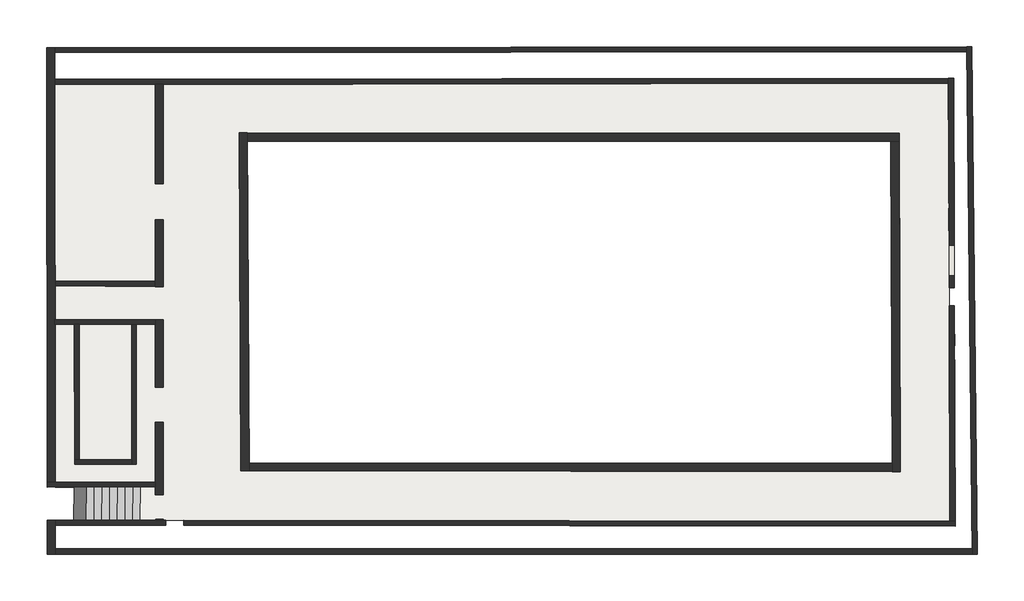
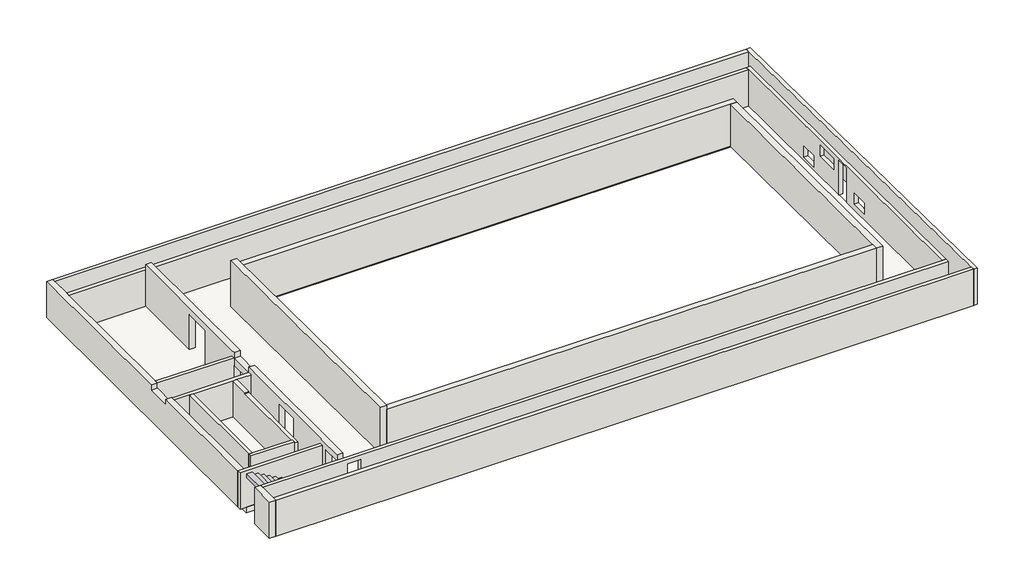
# One storey: 19 walls, 1 slab, 1 stair flight.
"""IFC4 building model written with IfcOpenShell, lengths in millimetres."""

import ifcopenshell
import ifcopenshell.guid

model = None  # the IFC model being written
_history = None  # IfcOwnerHistory: only IFC2X3 demands one
_inside = {}  # id of a spatial element -> (the spatial element, [elements in it])
_under = {}  # id of a project, library or spatial element -> (it, [spatial elements below it])
_declared = {}  # id of a project -> (the project, [libraries it declares])
_typed = {}  # id of a type object -> (the type object, [elements of that type])
_made_of = {}  # id of a material, layer set ... -> (it, [elements and type objects made of it])


def new_model(schema):
    """Start an empty IFC model of exactly this schema.

    Asked for "IFC4X3", IfcOpenShell would pick the latest addendum, in which some entities
    have other attributes; the version numbers below select the first issue.
    IFC2X3 requires an IfcOwnerHistory on every rooted entity: one is made here for all.
    """
    global model, _history
    if schema == "IFC4X3":
        model = ifcopenshell.file(schema_version=(4, 3, 0, 0))
    else:
        model = ifcopenshell.file(schema=schema)
    _inside.clear()
    _under.clear()
    _declared.clear()
    _typed.clear()
    _made_of.clear()
    _history = None
    if model.schema == "IFC2X3":
        org = make("IfcOrganization", Name="unknown")
        user = make(
            "IfcPersonAndOrganization",
            ThePerson=make("IfcPerson", FamilyName="unknown"),
            TheOrganization=org,
        )
        app = make(
            "IfcApplication",
            ApplicationDeveloper=org,
            Version="unknown",
            ApplicationFullName="unknown",
            ApplicationIdentifier="unknown",
        )
        _history = make(
            "IfcOwnerHistory",
            OwningUser=user,
            OwningApplication=app,
            ChangeAction="ADDED",
            CreationDate=0,
        )
    return model


def make(cls, **values):
    """One entity of the class cls with the attributes given. An attribute that is None is left unset."""
    return model.create_entity(
        cls, **{name: value for name, value in values.items() if value is not None}
    )


def rooted(cls, **values):
    """An entity with a GlobalId (a new one), such as an element, a storey or a relation."""
    return make(cls, GlobalId=ifcopenshell.guid.new(), OwnerHistory=_history, **values)


def si_unit(unit_type, name, prefix=None):
    """IfcSIUnit, for example si_unit("LENGTHUNIT", "METRE", prefix="MILLI")."""
    return make("IfcSIUnit", UnitType=unit_type, Prefix=prefix, Name=name)


def assignment(units):
    """IfcUnitAssignment: the units of a project."""
    return None if units is None else make("IfcUnitAssignment", Units=units)


def point(xyz):
    """IfcCartesianPoint."""
    return None if xyz is None else make("IfcCartesianPoint", Coordinates=xyz)


def direction(xyz):
    """IfcDirection."""
    return None if xyz is None else make("IfcDirection", DirectionRatios=xyz)


def frame(location, z_axis=None, x_axis=None):
    """IfcAxis2Placement3D, a coordinate frame: its origin and axes. An axis left out is left unset."""
    return make(
        "IfcAxis2Placement3D",
        Location=point(location),
        Axis=direction(z_axis),
        RefDirection=direction(x_axis),
    )


def origin():
    """The frame at (0, 0, 0) with its axes left unset."""
    return frame((0.0, 0.0, 0.0))


def place(relative_to, where):
    """IfcLocalPlacement: puts the frame where relative to a parent placement (None: the world)."""
    return make(
        "IfcLocalPlacement", PlacementRelTo=relative_to, RelativePlacement=where
    )


def context(
    kind, dimensions, precision=None, world=None, true_north=None, identifier=None
):
    """IfcGeometricRepresentationContext, for example the 3D "Model" context."""
    return make(
        "IfcGeometricRepresentationContext",
        ContextIdentifier=identifier,
        ContextType=kind,
        CoordinateSpaceDimension=dimensions,
        Precision=precision,
        WorldCoordinateSystem=world,
        TrueNorth=true_north,
    )


def project(units=None, contexts=None):
    """IfcProject with its units and contexts."""
    return rooted(
        "IfcProject",
        Name="project",
        RepresentationContexts=contexts,
        UnitsInContext=assignment(units),
    )


def spatial(cls, under=None, at=None, **own):
    """A site, building, storey or space (cls), placed at a placement, below another one or the project."""
    s = rooted(cls, ObjectPlacement=at, **own)
    if under is not None:
        _under.setdefault(under.id(), (under, []))[1].append(s)
    return s


def polyline(points):
    """IfcPolyline through the points."""
    return make("IfcPolyline", Points=[point(p) for p in points])


def outline(outer, holes=None, kind="AREA"):
    """IfcArbitraryClosedProfileDef: a profile drawn as a closed curve; with holes, ...WithVoids."""
    if holes is None:
        return make("IfcArbitraryClosedProfileDef", ProfileType=kind, OuterCurve=outer)
    return make(
        "IfcArbitraryProfileDefWithVoids",
        ProfileType=kind,
        OuterCurve=outer,
        InnerCurves=holes,
    )


def extrude(swept, where, along, depth):
    """IfcExtrudedAreaSolid: the profile swept, set in the frame where, extruded along a direction by depth."""
    return make(
        "IfcExtrudedAreaSolid",
        SweptArea=swept,
        Position=where,
        ExtrudedDirection=direction(along),
        Depth=depth,
    )


def faces_of(points, faces, orient=None, outer=None):
    """IfcFace entities. A face is a list of loops; a loop is a list of indices into points, from 0.

    orient and outer hold one flag for each loop. By default every Orientation is true, the
    first loop of a face is its IfcFaceOuterBound and the others are IfcFaceBound.
    """
    made = []
    for i, loops in enumerate(faces):
        bounds = []
        for j, loop in enumerate(loops):
            is_outer = j == 0 if outer is None else outer[i][j]
            bounds.append(
                make(
                    "IfcFaceOuterBound" if is_outer else "IfcFaceBound",
                    Bound=make("IfcPolyLoop", Polygon=[points[k] for k in loop]),
                    Orientation=True if orient is None else orient[i][j],
                )
            )
        made.append(make("IfcFace", Bounds=bounds))
    return made


def faceted_brep(points, faces, orient=None, outer=None, voids=None):
    """IfcFacetedBrep: a solid bounded by flat faces; with voids (closed shells), ...WithVoids."""
    shared = [point(p) for p in points]
    hull = make("IfcClosedShell", CfsFaces=faces_of(shared, faces, orient, outer))
    if voids is None:
        return make("IfcFacetedBrep", Outer=hull)
    return make(
        "IfcFacetedBrepWithVoids",
        Outer=hull,
        Voids=[
            make(cls, CfsFaces=faces_of(shared, fs, o, b)) for cls, fs, o, b in voids
        ],
    )


def shape(context_of_items, identifier, shape_type, items):
    """IfcShapeRepresentation: the items that make up one representation, for example the "Body"."""
    return make(
        "IfcShapeRepresentation",
        ContextOfItems=context_of_items,
        RepresentationIdentifier=identifier,
        RepresentationType=shape_type,
        Items=items,
    )


def made_of(thing, what):
    """Note that an element or type object is made of a material, layer set ...; save() writes the relation."""
    if what is not None:
        _made_of.setdefault(what.id(), (what, []))[1].append(thing)
    return thing


def element(
    cls,
    number,
    at=None,
    inside=None,
    cuts=None,
    type_object=None,
    material=None,
    context=None,
    identifier="Body",
    shape_type=None,
    held_by="IfcProductDefinitionShape",
    body=None,
    shapes=None,
    **own,
):
    """One element of the class cls, such as IfcWall. Its Tag is "e" and its number.

    at: its placement. inside: the storey or other place that contains it. cuts: it is an
    opening in that element (IfcRelVoidsElement). A single representation is given by context,
    identifier, shape_type and body (its items); several are given by shapes. held_by: the class
    of the entity that holds the representations. save() writes the other relations.
    """
    e = rooted(cls, Tag="e%d" % number, ObjectPlacement=at, **own)
    if body is not None:
        shapes = [shape(context, identifier, shape_type, body)]
    if shapes is not None:
        e.Representation = make(held_by, Representations=shapes)
    if inside is not None:
        _inside.setdefault(inside.id(), (inside, []))[1].append(e)
    if cuts is not None:
        rooted(
            "IfcRelVoidsElement", RelatingBuildingElement=cuts, RelatedOpeningElement=e
        )
    if type_object is not None:
        _typed.setdefault(type_object.id(), (type_object, []))[1].append(e)
    return made_of(e, material)


def aggregate(whole, parts):
    """IfcRelAggregates: a whole, such as a stair, and the parts it consists of."""
    return rooted("IfcRelAggregates", RelatingObject=whole, RelatedObjects=parts)


def save(model, path):
    """Write the relations noted so far, then the file.

    IfcRelAggregates (storeys below a building ...), IfcRelContainedInSpatialStructure (elements
    in a storey), IfcRelDefinesByType, IfcRelAssociatesMaterial and IfcRelDeclares: one each for
    every whole, place, type object, material and project.
    """
    for whole, parts in _under.values():
        aggregate(whole, parts)
    for where, things in _inside.values():
        rooted(
            "IfcRelContainedInSpatialStructure",
            RelatedElements=things,
            RelatingStructure=where,
        )
    for kind, things in _typed.values():
        rooted("IfcRelDefinesByType", RelatedObjects=things, RelatingType=kind)
    for what, things in _made_of.values():
        rooted("IfcRelAssociatesMaterial", RelatedObjects=things, RelatingMaterial=what)
    for by, libraries in _declared.values():
        rooted("IfcRelDeclares", RelatingContext=by, RelatedDefinitions=libraries)
    model.write(path)


model = new_model("IFC4")

# Units and contexts
model_context = context("Model", 3, world=origin())
ifc_project = project(units=[si_unit("LENGTHUNIT", "METRE", prefix="MILLI")], contexts=[model_context])

# Site, building, storey
site = spatial("IfcSite", under=ifc_project)
building = spatial("IfcBuilding", under=site)
storey = spatial("IfcBuildingStorey", under=building, Elevation=-12000.0)

# Slab
placement = place(None, origin())
element("IfcSlab", 1, at=placement, inside=storey, context=model_context, shape_type="Brep", body=[
    faceted_brep([(-46433.9659525, -23696.531678, -12300.0), (-46433.9659525, -23696.531678, -12000.0), (-42210.7707518, -23691.3306247, -12000.0), (-11677.9140619, -23653.7280502, -12000.0), (-11677.9140619, -23653.7280502, -12300.0), (-42210.7707518, -23691.3306247, -12300.0), (-11622.7118348, -40672.7928757, -12000.0), (-11622.7118348, -40672.7928757, -12300.0), (-43112.5023936, -40636.5992131, -12000.0), (-43112.5023936, -40636.5992131, -12300.0), (-46416.4450928, -39348.5265927, -12300.0), (-46416.4450928, -39348.5265927, -12000.0), (-13545.5953668, -38741.8857665, -12300.0), (-13545.5953668, -38741.8857665, -12000.0), (-13595.4594818, -25594.5502974, -12000.0), (-13595.4594818, -25594.5502974, -12300.0), (-39254.3977141, -25571.3727253, -12000.0), (-39254.3977141, -25571.3727253, -12300.0), (-39189.5022302, -38716.2687798, -12000.0), (-39189.5022302, -38716.2687798, -12300.0), (-43101.4900772, -39342.5562747, -12000.0), (-43101.4900772, -39342.5562747, -12300.0)], [[[0, 1, 2, 3, 4, 5]], [[4, 3, 6, 7]], [[7, 6, 8, 9]], [[10, 11, 1, 0]], [[12, 13, 14, 15]], [[15, 14, 16, 17]], [[17, 16, 18, 19]], [[19, 18, 13, 12]], [[9, 8, 20, 21]], [[21, 20, 11, 10]], [[6, 3, 2, 1, 11, 20, 8], [13, 18, 16, 14]], [[7, 9, 21, 10, 0, 5, 4], [12, 15, 17, 19]]]),
])

# Stair flight
element("IfcStairFlight", 2, ObjectType="3/4\" Nosing", at=placement, inside=storey, context=model_context, shape_type="Brep", body=[
    faceted_brep([(-43412.510322, -40636.2543906, -11836.6666667), (-43112.5023936, -40636.5992131, -11836.6666667), (-43101.4900772, -39342.5562747, -11836.6666667), (-43401.5055383, -39343.0966102, -11836.6666667), (-43412.510322, -40636.2543906, -12000.0), (-43112.5023936, -40636.5992131, -12000.0), (-43101.4900772, -39342.5562747, -12000.0), (-43401.5055383, -39343.0966102, -12000.0), (-43712.5182504, -40635.9095682, -11673.3333333), (-43412.510322, -40636.2543906, -11673.3333333), (-43401.5055383, -39343.0966102, -11673.3333333), (-43701.5209994, -39343.6369456, -11673.3333333), (-43712.5182504, -40635.9095682, -11875.777178), (-43484.3478534, -40636.1718222, -12000.0), (-43473.3448735, -39343.2259946, -12000.0), (-43701.5209994, -39343.6369456, -11875.777178), (-44012.5261788, -40635.5647458, -11510.0), (-43712.5182504, -40635.9095682, -11510.0), (-43701.5209994, -39343.6369456, -11510.0), (-44001.5364605, -39344.177281, -11510.0), (-44012.5261788, -40635.5647458, -11712.4438446), (-44001.5364605, -39344.177281, -11712.4438446), (-44312.5341072, -40635.2199234, -11346.6666667), (-44012.5261788, -40635.5647458, -11346.6666667), (-44001.5364605, -39344.177281, -11346.6666667), (-44301.5519216, -39344.7176165, -11346.6666667), (-44312.5341072, -40635.2199234, -11549.1105113), (-44301.5519216, -39344.7176165, -11549.1105113), (-44612.5420356, -40634.875101, -11183.3333333), (-44312.5341072, -40635.2199234, -11183.3333333), (-44301.5519216, -39344.7176165, -11183.3333333), (-44601.5673827, -39345.2579519, -11183.3333333), (-44612.5420356, -40634.875101, -11385.777178), (-44601.5673827, -39345.2579519, -11385.777178), (-44912.549964, -40634.5302785, -11020.0), (-44612.5420356, -40634.875101, -11020.0), (-44601.5673827, -39345.2579519, -11020.0), (-44901.5828438, -39345.7982874, -11020.0), (-44912.549964, -40634.5302785, -11222.4438446), (-44901.5828438, -39345.7982874, -11222.4438446), (-45212.5578924, -40634.1854561, -10856.6666667), (-44912.549964, -40634.5302785, -10856.6666667), (-44901.5828438, -39345.7982874, -10856.6666667), (-45201.5983049, -39346.3386228, -10856.6666667), (-45212.5578924, -40634.1854561, -11059.1105113), (-45201.5983049, -39346.3386228, -11059.1105113), (-45512.5658208, -40633.8406337, -10693.3333333), (-45212.5578924, -40634.1854561, -10693.3333333), (-45201.5983049, -39346.3386228, -10693.3333333), (-45501.613766, -39346.8789583, -10693.3333333), (-45512.5658208, -40633.8406337, -10895.777178), (-45501.613766, -39346.8789583, -10895.777178), (-45812.5737492, -40633.4958113, -10530.0), (-45512.5658208, -40633.8406337, -10530.0), (-45501.613766, -39346.8789583, -10530.0), (-45801.6292271, -39347.4192937, -10530.0), (-45812.5737492, -40633.4958113, -10732.4438446), (-45801.6292271, -39347.4192937, -10732.4438446), (-46112.5816776, -40633.1509889, -10366.6666667), (-45812.5737492, -40633.4958113, -10366.6666667), (-45801.6292271, -39347.4192937, -10366.6666667), (-46101.6446882, -39347.9596292, -10366.6666667), (-46112.5816776, -40633.1509889, -10569.1105113), (-46101.6446882, -39347.9596292, -10569.1105113), (-46393.5391025, -40632.8280627, -10203.3333333), (-46112.5816776, -40633.1509889, -10203.3333333), (-46101.6446882, -39347.9596292, -10203.3333333), (-46382.6091675, -39348.4656533, -10203.3333333), (-46393.5391025, -40632.8280627, -10416.1488446), (-46382.6091675, -39348.4656533, -10416.1488446)], [[[0, 1, 2, 3]], [[1, 0, 4, 5]], [[2, 1, 5, 6]], [[3, 2, 6, 7]], [[8, 9, 10, 11]], [[4, 0, 9, 8, 12, 13]], [[0, 3, 10, 9]], [[3, 7, 14, 15, 11, 10]], [[16, 17, 18, 19]], [[17, 16, 20, 12, 8]], [[8, 11, 18, 17]], [[19, 18, 11, 15, 21]], [[22, 23, 24, 25]], [[23, 22, 26, 20, 16]], [[16, 19, 24, 23]], [[25, 24, 19, 21, 27]], [[28, 29, 30, 31]], [[29, 28, 32, 26, 22]], [[22, 25, 30, 29]], [[31, 30, 25, 27, 33]], [[34, 35, 36, 37]], [[35, 34, 38, 32, 28]], [[28, 31, 36, 35]], [[37, 36, 31, 33, 39]], [[40, 41, 42, 43]], [[41, 40, 44, 38, 34]], [[34, 37, 42, 41]], [[43, 42, 37, 39, 45]], [[46, 47, 48, 49]], [[47, 46, 50, 44, 40]], [[40, 43, 48, 47]], [[49, 48, 43, 45, 51]], [[52, 53, 54, 55]], [[53, 52, 56, 50, 46]], [[46, 49, 54, 53]], [[55, 54, 49, 51, 57]], [[58, 59, 60, 61]], [[59, 58, 62, 56, 52]], [[52, 55, 60, 59]], [[61, 60, 55, 57, 63]], [[64, 65, 66, 67]], [[65, 64, 68, 62, 58]], [[58, 61, 66, 65]], [[67, 66, 61, 63, 69]], [[64, 67, 69, 68]], [[5, 4, 13, 14, 7, 6]], [[14, 13, 12, 20, 26, 32, 38, 44, 50, 56, 62, 68, 69, 63, 57, 51, 45, 39, 33, 27, 21, 15]]]),
])

# Walls
element("IfcWall", 3, at=placement, inside=storey, context=model_context, shape_type="Brep", body=[
    faceted_brep([(-38869.4967523, -38716.5884493, -12000.0), (-38871.0765797, -38396.5867115, -12000.0), (-38932.8125608, -25891.6633418, -12000.0), (-38934.3923873, -25571.6617842, -12000.0), (-38934.3923873, -25571.6617842, -9747.0673671), (-38934.3923873, -25571.6617842, -9527.0673671), (-38869.4967523, -38716.5884493, -9527.0673671), (-38869.4967523, -38716.5884493, -9747.0673671), (-39189.5022302, -38716.2687798, -12000.0), (-39189.5022302, -38716.2687798, -9527.0673671), (-39254.3977141, -25571.3727253, -9527.0673671), (-39254.3977141, -25571.3727253, -12000.0)], [[[0, 1, 2, 3, 4, 5, 6, 7]], [[8, 9, 10, 11]], [[3, 2, 1, 0, 8, 11]], [[6, 5, 10, 9]], [[5, 4, 3, 11, 10]], [[0, 7, 6, 9, 8]]]),
])
element("IfcWall", 4, at=placement, inside=storey, context=model_context, shape_type="Brep", body=[
    faceted_brep([(-38932.8125608, -25891.6633418, -12000.0), (-13914.2492058, -25914.262467, -12000.0), (-13594.2458079, -25914.5515243, -12000.0), (-13594.2458079, -25914.5515243, -9747.0673671), (-13914.2492058, -25914.262467, -9747.0673671), (-38932.8125608, -25891.6633418, -9747.0673671), (-38934.3923873, -25571.6617842, -12000.0), (-38934.3923873, -25571.6617842, -9747.0673671), (-13595.4594818, -25594.5502974, -9747.0673671), (-13595.4594818, -25594.5502974, -12000.0)], [[[0, 1, 2, 3, 4, 5]], [[6, 7, 8, 9]], [[2, 1, 0, 6, 9]], [[5, 4, 3, 8, 7]], [[0, 5, 7, 6]], [[3, 2, 9, 8]]]),
])
element("IfcWall", 5, at=placement, inside=storey, context=model_context, shape_type="Brep", body=[
    faceted_brep([(-13914.2492058, -25914.262467, -12000.0), (-13866.8125552, -38421.5647269, -12000.0), (-13865.5988807, -38741.5660989, -12000.0), (-13865.5988807, -38741.5660989, -9747.0673671), (-13866.8125552, -38421.5647269, -9747.0673671), (-13914.2492058, -25914.262467, -9747.0673671), (-13594.2458079, -25914.5515243, -12000.0), (-13594.2458079, -25914.5515243, -9747.0673671), (-13545.5953668, -38741.8857665, -9747.0673671), (-13545.5953668, -38741.8857665, -12000.0)], [[[0, 1, 2, 3, 4, 5]], [[6, 7, 8, 9]], [[2, 1, 0, 6, 9]], [[5, 4, 3, 8, 7]], [[0, 5, 7, 6]], [[3, 2, 9, 8]]]),
])
element("IfcWall", 6, at=placement, inside=storey, context=model_context, shape_type="SweptSolid", body=[
    extrude(outline(polyline([(-38871.0765797, -38396.5867115), (-13866.8125552, -38421.5647269), (-13865.5988807, -38741.5660989), (-38869.4967523, -38716.5884493), (-38871.0765797, -38396.5867115)])), frame((0.0, 0.0, -12000.0), z_axis=(0.0, 0.0, 1.0), x_axis=(1.0, 0.0, 0.0)), (0.0, 0.0, 1.0), 2252.9326329),
])
element("IfcWall", 7, at=placement, inside=storey, context=model_context, shape_type="Brep", body=[
    faceted_brep([(-11422.0613239, -40873.023631, -10040.0), (-46414.7835914, -40832.8037768, -10040.0), (-46414.7835914, -40832.8037768, -12000.0), (-42120.0141042, -40837.7400891, -12000.0), (-42120.0141042, -40837.7400891, -10250.0), (-41420.0145666, -40838.5446529, -10250.0), (-41420.0145666, -40838.5446529, -12000.0), (-11422.0613239, -40873.023631, -12000.0), (-46415.007472, -40632.8033874, -10040.0), (-11622.7118348, -40672.7928757, -10040.0), (-11422.7100372, -40673.0227533, -10040.0), (-11422.7100372, -40673.0227533, -12000.0), (-11622.7118348, -40672.7928757, -12000.0), (-41419.7846912, -40638.544785, -12000.0), (-41419.7846912, -40638.544785, -10250.0), (-42119.7842288, -40637.7402212, -10250.0), (-42119.7842288, -40637.7402212, -12000.0), (-42209.4889682, -40637.6371165, -12000.0), (-42509.4889951, -40637.2923032, -12000.0), (-46415.007472, -40632.8033874, -12000.0)], [[[0, 1, 2, 3, 4, 5, 6, 7]], [[8, 9, 10, 11, 12, 13, 14, 15, 16, 17, 18, 19]], [[11, 7, 6, 13, 12]], [[2, 19, 18, 17, 16, 3]], [[1, 0, 10, 9, 8]], [[0, 7, 11, 10]], [[15, 4, 3, 16]], [[5, 14, 13, 6]], [[4, 15, 14, 5]], [[2, 1, 8, 19]]]),
])
element("IfcWall", 8, at=placement, inside=storey, context=model_context, shape_type="Brep", body=[
    faceted_brep([(-11478.5625172, -23453.4823882, -10040.0), (-11422.7100372, -40673.0227533, -10040.0), (-11422.7100372, -40673.0227533, -12000.0), (-11449.8710502, -32299.1750737, -12000.0), (-11449.8710502, -32299.1750737, -10100.0), (-11452.1415249, -31599.1787559, -10100.0), (-11452.1415249, -31599.1787559, -12000.0), (-11478.5625172, -23453.4823882, -12000.0), (-11459.3421731, -29379.1904337, -11820.0), (-11459.3421731, -29379.1904337, -11220.0), (-11462.1964841, -28499.1950628, -11220.0), (-11462.1964841, -28499.1950628, -11820.0), (-11453.6497688, -31134.1812019, -10904.8), (-11453.6497688, -31134.1812019, -10304.8), (-11457.5420111, -29934.1875143, -10304.8), (-11457.5420111, -29934.1875143, -10904.8), (-11444.8597882, -33844.1669466, -11669.6), (-11444.8597882, -33844.1669466, -11069.6), (-11447.7789699, -32944.1716808, -11069.6), (-11447.7789699, -32944.1716808, -11669.6), (-11622.7118348, -40672.7928757, -10040.0), (-11677.9140619, -23653.7280502, -10040.0), (-11678.5627703, -23453.7286974, -10040.0), (-11678.5627703, -23453.7286974, -12000.0), (-11677.9140619, -23653.7280502, -12000.0), (-11652.1404728, -31599.827463, -12000.0), (-11652.1404728, -31599.827463, -10100.0), (-11649.8699981, -32299.8237808, -10100.0), (-11649.8699981, -32299.8237808, -12000.0), (-11622.7118348, -40672.7928757, -12000.0), (-11659.3411211, -29379.8391408, -11220.0), (-11659.3411211, -29379.8391408, -11820.0), (-11662.1954321, -28499.8437698, -11820.0), (-11662.1954321, -28499.8437698, -11220.0), (-11653.6487167, -31134.829909, -10304.8), (-11653.6487167, -31134.829909, -10904.8), (-11657.540959, -29934.8362213, -10904.8), (-11657.540959, -29934.8362213, -10304.8), (-11644.8587362, -33844.8156536, -11069.6), (-11644.8587362, -33844.8156536, -11669.6), (-11647.7779179, -32944.8203879, -11669.6), (-11647.7779179, -32944.8203879, -11069.6)], [[[0, 1, 2, 3, 4, 5, 6, 7], [8, 9, 10, 11], [12, 13, 14, 15], [16, 17, 18, 19]], [[20, 21, 22, 23, 24, 25, 26, 27, 28, 29], [30, 31, 32, 33], [34, 35, 36, 37], [38, 39, 40, 41]], [[23, 7, 6, 25, 24]], [[2, 29, 28, 3]], [[1, 0, 22, 21, 20]], [[0, 7, 23, 22]], [[2, 1, 20, 29]], [[6, 5, 26, 25]], [[4, 3, 28, 27]], [[5, 4, 27, 26]], [[31, 30, 9, 8]], [[32, 31, 8, 11]], [[33, 32, 11, 10]], [[30, 33, 10, 9]], [[34, 13, 12, 35]], [[35, 12, 15, 36]], [[36, 15, 14, 37]], [[13, 34, 37, 14]], [[38, 17, 16, 39]], [[39, 16, 19, 40]], [[40, 19, 18, 41]], [[17, 38, 41, 18]]]),
])
element("IfcWall", 9, at=placement, inside=storey, context=model_context, shape_type="Brep", body=[
    faceted_brep([(-11678.5627703, -23453.7286974, -12000.0), (-46434.1898326, -23496.531802, -12000.0), (-46434.1898326, -23496.531802, -10040.0), (-11678.5627703, -23453.7286974, -10040.0), (-11677.9140619, -23653.7280502, -12000.0), (-11677.9140619, -23653.7280502, -10040.0), (-46433.9659525, -23696.531678, -10040.0), (-46433.9659525, -23696.531678, -12000.0), (-42510.7707247, -23691.7000881, -12000.0), (-42210.7707518, -23691.3306247, -12000.0)], [[[0, 1, 2, 3]], [[4, 5, 6, 7, 8, 9]], [[1, 0, 4, 9, 8, 7]], [[3, 2, 6, 5]], [[0, 3, 5, 4]], [[2, 1, 7, 6]]]),
])
element("IfcWall", 10, at=placement, inside=storey, context=model_context, shape_type="Brep", body=[
    faceted_brep([(-42510.4782709, -27558.1969002, -12000.0), (-42510.4782709, -27558.1969002, -10110.0), (-42510.3723778, -28958.1968962, -10110.0), (-42510.3723778, -28958.1968962, -12000.0), (-42510.1915247, -31349.2336172, -12000.0), (-42510.1763966, -31549.2408434, -12000.0), (-42510.1760184, -31554.2408433, -12000.0), (-42510.1760184, -31554.2408433, -10420.0), (-42510.0792018, -32834.2408397, -10420.0), (-42510.0792018, -32834.2408397, -12000.0), (-42510.0788945, -32838.3043505, -12000.0), (-42510.0637666, -33038.3075783, -12000.0), (-42509.879911, -35469.0408322, -12000.0), (-42509.879911, -35469.0408322, -10110.0), (-42509.7777998, -36819.0408283, -10110.0), (-42509.7777998, -36819.0408283, -12000.0), (-42509.6021345, -39141.4899452, -12000.0), (-42509.5870069, -39341.4902423, -12000.0), (-42509.5637106, -39649.4871662, -12000.0), (-42509.5637106, -39649.4871662, -10087.0673671), (-42509.492611, -40589.4871635, -10087.0673671), (-42509.492611, -40589.4871635, -12000.0), (-42509.4889951, -40637.2923032, -12000.0), (-42509.4889951, -40637.2923032, -9747.0673671), (-42509.5870069, -39341.4902423, -9747.0673671), (-42509.6021345, -39141.4899452, -9747.0673671), (-42510.063811, -33037.7214497, -9747.0673671), (-42510.0789392, -32837.7122063, -9747.0673671), (-42510.0789392, -32837.7122063, -10040.0), (-42510.0789392, -32837.7122063, -10070.2668578), (-42510.1782086, -31525.2845177, -10071.0234123), (-42510.1782086, -31525.2845177, -10040.0), (-42510.1782086, -31525.2845177, -9747.0673671), (-42510.1933367, -31325.2774163, -9747.0673671), (-42510.7707247, -23691.7000881, -9747.0673671), (-42510.7707247, -23691.7000881, -12000.0), (-42210.4782718, -27558.1742088, -10110.0), (-42210.4782718, -27558.1742088, -12000.0), (-42210.7707518, -23691.3306247, -12000.0), (-42210.7707518, -23691.3306247, -9747.0673671), (-42210.1780182, -31527.7900524, -9747.0673671), (-42210.1780182, -31527.7900524, -10051.8514561), (-42210.0787219, -32840.5739209, -10051.0946963), (-42210.0787219, -32840.5739209, -9747.0673671), (-42209.4889682, -40637.6371165, -9747.0673671), (-42209.4889682, -40637.6371165, -12000.0), (-42209.4926118, -40589.4644722, -12000.0), (-42209.4926118, -40589.4644722, -10087.0673671), (-42209.5637115, -39649.4644749, -10087.0673671), (-42209.5637115, -39649.4644749, -12000.0), (-42209.7778006, -36819.0181369, -12000.0), (-42209.7778006, -36819.0181369, -10110.0), (-42209.8799118, -35469.0181408, -10110.0), (-42209.8799118, -35469.0181408, -12000.0), (-42210.0792027, -32834.2181483, -12000.0), (-42210.0792027, -32834.2181483, -10420.0), (-42210.1760192, -31554.218152, -10420.0), (-42210.1760192, -31554.218152, -12000.0), (-42210.3723786, -28958.1742048, -12000.0), (-42210.3723786, -28958.1742048, -10110.0)], [[[0, 1, 2, 3, 4, 5, 6, 7, 8, 9, 10, 11, 12, 13, 14, 15, 16, 17, 18, 19, 20, 21, 22, 23, 24, 25, 26, 27, 28, 29, 30, 31, 32, 33, 34, 35]], [[36, 37, 38, 39, 40, 41, 42, 43, 44, 45, 46, 47, 48, 49, 50, 51, 52, 53, 54, 55, 56, 57, 58, 59]], [[35, 38, 37, 0]], [[3, 58, 57, 6, 5, 4]], [[9, 54, 53, 12, 11, 10]], [[15, 50, 49, 18, 17, 16]], [[45, 22, 21, 46]], [[1, 0, 37, 36]], [[3, 2, 59, 58]], [[1, 36, 59, 2]], [[57, 56, 7, 6]], [[55, 54, 9, 8]], [[56, 55, 8, 7]], [[52, 13, 12, 53]], [[14, 51, 50, 15]], [[51, 14, 13, 52]], [[34, 39, 38, 35]], [[44, 43, 27, 26, 25, 24, 23]], [[39, 34, 33, 32, 40]], [[30, 29, 42, 41]], [[22, 45, 44, 23]], [[19, 48, 47, 20]], [[48, 19, 18, 49]], [[20, 47, 46, 21]], [[27, 43, 42, 29, 28]], [[40, 32, 31, 30, 41]]]),
])
element("IfcWall", 11, at=placement, inside=storey, context=model_context, shape_type="Brep", body=[
    faceted_brep([(-42509.6021345, -39141.4899452, -12000.0), (-46416.6689729, -39148.5266715, -12000.0), (-46726.6685422, -39149.0849886, -12000.0), (-46726.6685422, -39149.0849886, -10040.0), (-46416.6689729, -39148.5266715, -10040.0), (-42509.6021345, -39141.4899452, -10040.0), (-42509.5870069, -39341.4902423, -12000.0), (-42509.5870069, -39341.4902423, -10040.0), (-46416.4450928, -39348.5265927, -10040.0), (-46726.4446621, -39349.0849098, -10040.0), (-46726.4446621, -39349.0849098, -12000.0)], [[[0, 1, 2, 3, 4, 5]], [[6, 7, 8, 9, 10]], [[2, 1, 0, 6, 10]], [[5, 4, 3, 9, 8, 7]], [[3, 2, 10, 9]], [[0, 5, 7, 6]]]),
])
element("IfcWall", 12, at=placement, inside=storey, context=model_context, shape_type="Brep", body=[
    faceted_brep([(-46745.571835, -22262.1143692, -12000.0), (-46726.6685422, -39149.0849886, -12000.0), (-46726.6685422, -39149.0849886, -10040.0), (-46733.7786003, -32797.4221578, -10040.0), (-46733.7786003, -32797.4221578, -10340.1915025), (-46735.2421326, -31489.9977268, -10341.0323757), (-46735.2421326, -31489.9977268, -10040.0), (-46745.571835, -22262.1143692, -10040.0), (-46435.5720682, -22261.7325906, -12000.0), (-46435.5720682, -22261.7325906, -10040.0), (-46435.3481881, -22461.7324666, -10040.0), (-46434.1898326, -23496.531802, -10040.0), (-46433.9659525, -23696.531678, -10040.0), (-46425.4364363, -31316.2459, -10040.0), (-46425.2390402, -31492.5868034, -10040.0), (-46425.2390402, -31492.5868034, -10321.2211693), (-46423.7750959, -32800.3792942, -10320.3800593), (-46423.7750959, -32800.3792942, -10040.0), (-46423.7572036, -32816.3630357, -10040.0), (-46423.5333185, -33016.3674339, -10040.0), (-46416.6689729, -39148.5266715, -10040.0), (-46416.6689729, -39148.5266715, -12000.0), (-46423.5333185, -33016.3674339, -12000.0), (-46423.7572036, -32816.3630357, -12000.0), (-46425.2125461, -31516.254885, -12000.0), (-46425.4364363, -31316.2459, -12000.0), (-46433.9659525, -23696.531678, -12000.0), (-46434.1898326, -23496.531802, -12000.0), (-46435.3481881, -22461.7324666, -12000.0)], [[[0, 1, 2, 3, 4, 5, 6, 7]], [[8, 9, 10, 11, 12, 13, 14, 15, 16, 17, 18, 19, 20, 21, 22, 23, 24, 25, 26, 27, 28]], [[1, 0, 8, 28, 27, 26, 25, 24, 23, 22, 21]], [[2, 1, 21, 20]], [[3, 2, 20, 19, 18, 17]], [[7, 6, 14, 13, 12, 11, 10, 9]], [[5, 4, 16, 15]], [[0, 7, 9, 8]], [[3, 17, 16, 4]], [[14, 6, 5, 15]]]),
])
element("IfcWall", 13, at=placement, inside=storey, context=model_context, shape_type="Brep", body=[
    faceted_brep([(-43438.8398189, -33033.1005669, -12000.0), (-43441.9057048, -38278.8863997, -12000.0), (-43442.0138276, -38463.8864403, -12000.0), (-43442.0138276, -38463.8864403, -10099.8), (-43439.458284, -34091.3054615, -10099.8), (-43439.458284, -34091.3054615, -10040.0), (-43438.8398189, -33033.1005669, -10040.0), (-43253.8403935, -33034.137732, -12000.0), (-43253.8403935, -33034.137732, -10040.0), (-43254.4583156, -34091.4135843, -10040.0), (-43254.4583156, -34091.4135843, -10099.8), (-43257.0137637, -38463.8311841, -10099.8), (-43257.0137637, -38463.8311841, -12000.0)], [[[0, 1, 2, 3, 4, 5, 6]], [[7, 8, 9, 10, 11, 12]], [[3, 2, 12, 11]], [[2, 1, 0, 7, 12]], [[6, 5, 9, 8]], [[4, 3, 11, 10]], [[5, 4, 10, 9]], [[0, 6, 8, 7]]]),
])
element("IfcWall", 14, at=placement, inside=storey, context=model_context, shape_type="Brep", body=[
    faceted_brep([(-43441.9057048, -38278.8863997, -12000.0), (-45473.1433964, -38279.4930935, -12000.0), (-45658.1433881, -38279.5483496, -12000.0), (-45658.1433881, -38279.5483496, -10040.0), (-45473.1433964, -38279.4930935, -10040.0), (-43441.9057048, -38278.8863997, -10040.0), (-43442.0138276, -38463.8864403, -12000.0), (-43442.0138276, -38463.8864403, -10099.8), (-43442.0138276, -38463.8864403, -10040.0), (-45658.0881097, -38464.5483413, -10040.0), (-45658.0881097, -38464.5483413, -12000.0)], [[[0, 1, 2, 3, 4, 5]], [[6, 7, 8, 9, 10]], [[2, 1, 0, 6, 10]], [[5, 4, 3, 9, 8]], [[3, 2, 10, 9]], [[0, 5, 8, 7, 6]]]),
])
element("IfcWall", 15, at=placement, inside=storey, context=model_context, shape_type="SweptSolid", body=[
    extrude(outline(polyline([(-45474.71444, -33021.6868117), (-45473.1433964, -38279.4930935), (-45658.1433881, -38279.5483496), (-45659.7147582, -33020.6496416), (-45474.71444, -33021.6868117)])), frame((0.0, 0.0, -12000.0), z_axis=(0.0, 0.0, 1.0), x_axis=(1.0, 0.0, 0.0)), (0.0, 0.0, 1.0), 1960.0),
])
element("IfcWall", 16, at=placement, inside=storey, context=model_context, shape_type="Brep", body=[
    faceted_brep([(-46423.5333185, -33016.3674339, -12000.0), (-45659.7147582, -33020.6496416, -12000.0), (-45474.71444, -33021.6868117, -12000.0), (-43438.8398189, -33033.1005669, -12000.0), (-43253.8403935, -33034.137732, -12000.0), (-42510.0637666, -33038.3075783, -12000.0), (-42510.0637666, -33038.3075783, -10040.0), (-43253.8403935, -33034.137732, -10040.0), (-43438.8398189, -33033.1005669, -10040.0), (-45474.71444, -33021.6868117, -10040.0), (-45659.7147582, -33020.6496416, -10040.0), (-46423.5333185, -33016.3674339, -10040.0), (-46423.7572036, -32816.3630357, -12000.0), (-46423.7572036, -32816.3630357, -10040.0), (-42510.0788945, -32838.3043505, -10040.0), (-42510.0788945, -32838.3043505, -12000.0)], [[[0, 1, 2, 3, 4, 5, 6, 7, 8, 9, 10, 11]], [[12, 13, 14, 15]], [[5, 4, 3, 2, 1, 0, 12, 15]], [[11, 10, 9, 8, 7, 6, 14, 13]], [[6, 5, 15, 14]], [[0, 11, 13, 12]]]),
])
element("IfcWall", 17, at=placement, inside=storey, context=model_context, shape_type="Brep", body=[
    faceted_brep([(-46425.2125461, -31516.254885, -12000.0), (-42510.1763966, -31549.2408434, -12000.0), (-42510.1763966, -31549.2408434, -10040.0), (-46425.2125461, -31516.254885, -10040.0), (-46425.4364363, -31316.2459, -12000.0), (-46425.4364363, -31316.2459, -10040.0), (-42510.1915247, -31349.2336172, -10040.0), (-42510.1915247, -31349.2336172, -12000.0), (-46425.2390402, -31492.5868034, -10040.0)], [[[0, 1, 2, 3]], [[4, 5, 6, 7]], [[1, 0, 4, 7]], [[3, 2, 6, 5, 8]], [[0, 3, 8, 5, 4]], [[2, 1, 7, 6]]]),
])
element("IfcWall", 18, at=placement, inside=storey, context=model_context, shape_type="Brep", body=[
    faceted_brep([(-10973.9504896, -22218.0600223, -12000.0), (-10971.7090177, -22418.0574135, -12000.0), (-10755.04686, -41749.9373046, -12000.0), (-10752.8053588, -41949.9373046, -12000.0), (-10752.8053588, -41949.9373046, -10040.0), (-10755.04686, -41749.9373046, -10040.0), (-10971.7090177, -22418.0574135, -10040.0), (-10973.9504896, -22218.0600223, -10040.0), (-10773.9406898, -22217.8137013, -12000.0), (-10773.9406898, -22217.8137013, -10040.0), (-10552.7927984, -41949.9373046, -10040.0), (-10552.7927984, -41949.9373046, -12000.0)], [[[0, 1, 2, 3, 4, 5, 6, 7]], [[8, 9, 10, 11]], [[3, 2, 1, 0, 8, 11]], [[7, 6, 5, 4, 10, 9]], [[0, 7, 9, 8]], [[4, 3, 11, 10]]]),
])
element("IfcWall", 19, at=placement, inside=storey, context=model_context, shape_type="SweptSolid", body=[
    extrude(outline(polyline([(-46435.5720682, -22261.7325906), (-10973.9504896, -22218.0600223), (-10971.7090177, -22418.0574135), (-46435.3481881, -22461.7324666), (-46435.5720682, -22261.7325906)])), frame((0.0, 0.0, -12000.0), z_axis=(0.0, 0.0, 1.0), x_axis=(1.0, 0.0, 0.0)), (0.0, 0.0, 1.0), 1960.0),
])
element("IfcWall", 20, at=placement, inside=storey, context=model_context, shape_type="SweptSolid", body=[
    extrude(outline(polyline([(-46413.7569511, -41749.9373046), (-10755.04686, -41749.9373046), (-10752.8053588, -41949.9373046), (-46413.5330709, -41949.9373046), (-46413.7569511, -41749.9373046)])), frame((0.0, 0.0, -12000.0), z_axis=(0.0, 0.0, 1.0), x_axis=(1.0, 0.0, 0.0)), (0.0, 0.0, 1.0), 1960.0),
])
element("IfcWall", 21, at=placement, inside=storey, context=model_context, shape_type="Brep", body=[
    faceted_brep([(-46725.0080651, -40632.4470796, -12000.0), (-46723.5332651, -41949.9373046, -12000.0), (-46723.5332651, -41949.9373046, -10040.0), (-46725.0080651, -40632.4470796, -10040.0), (-46415.007472, -40632.8033874, -12000.0), (-46415.007472, -40632.8033874, -10040.0), (-46414.7835914, -40832.8037768, -10040.0), (-46413.7569511, -41749.9373046, -10040.0), (-46413.5330709, -41949.9373046, -10040.0), (-46413.5330709, -41949.9373046, -12000.0), (-46413.7569511, -41749.9373046, -12000.0), (-46414.7835914, -40832.8037768, -12000.0)], [[[0, 1, 2, 3]], [[4, 5, 6, 7, 8, 9, 10, 11]], [[1, 0, 4, 11, 10, 9]], [[3, 2, 8, 7, 6, 5]], [[0, 3, 5, 4]], [[2, 1, 9, 8]]]),
])

save(model, "model.ifc")
